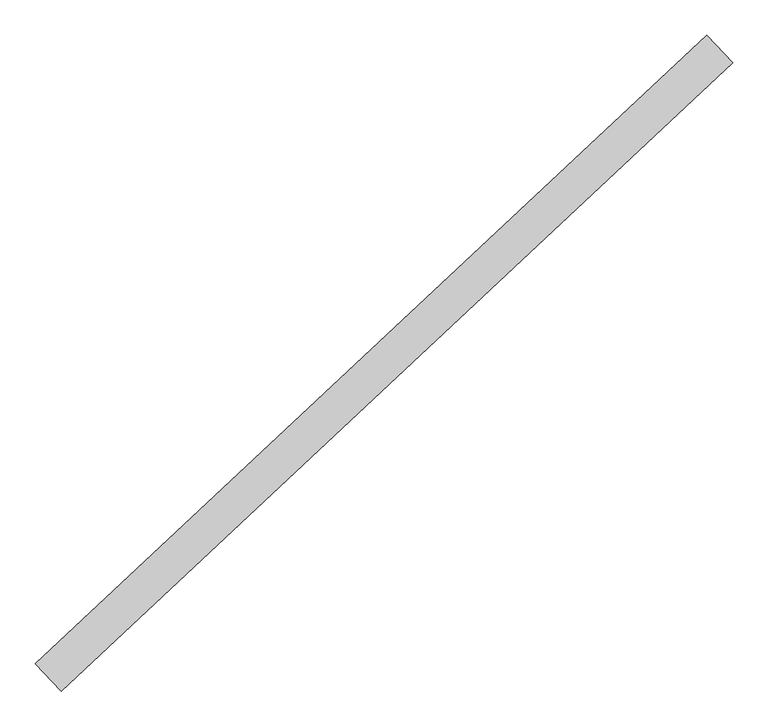
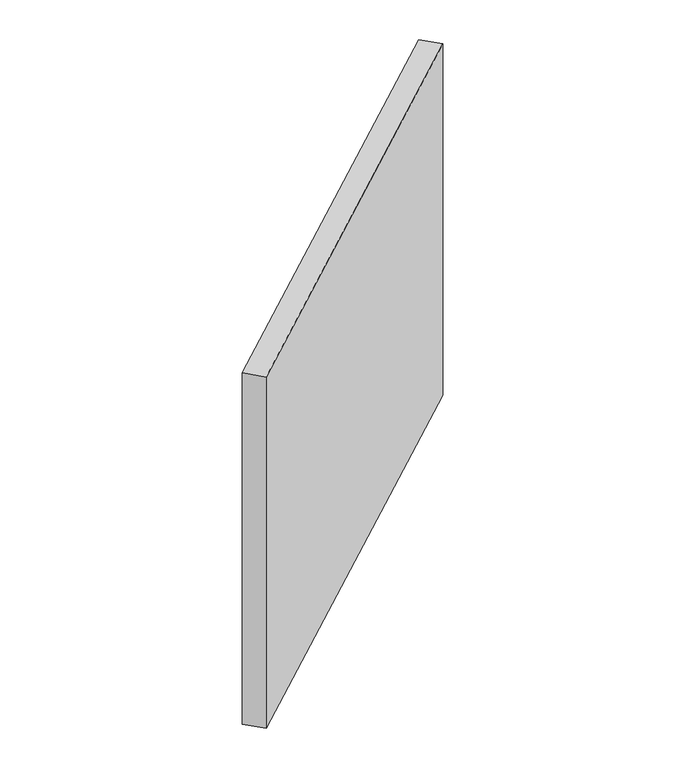
"""IFC4 building model written with IfcOpenShell, lengths in millimetres: proxy geometry."""

from ifc_helpers import new_model, si_unit, origin, origin_with_axes, place, context, project, spatial, polyline, outline, extrude, source, transform, mapped, element, save


def generic_models_261b6a6d(model_context):
    return source(origin(), model_context, "Body", "SweptSolid", [
        extrude(outline(polyline([(138451.0174571, 10863.4195241), (139396.9691799, 11748.4260203), (139433.2181053, 11709.6808431), (138487.2663826, 10824.6743469), (138451.0174571, 10863.4195241)])), origin_with_axes(), (0.0, 0.0, 1.0), 914.4),
    ])


if __name__ == "__main__":
    model = new_model("IFC4")
    model_context = context("Model", 3, world=origin())
    ifc_project = project(units=[si_unit("LENGTHUNIT", "METRE", prefix="MILLI")], contexts=[model_context])
    site = spatial("IfcSite", under=ifc_project)
    building = spatial("IfcBuilding", under=site)
    placement = place(None, origin())
    generic_models_shape = generic_models_261b6a6d(model_context)
    element("IfcBuildingElementProxy", 1, Name="Generic Models", at=placement, inside=building, context=model_context, shape_type="MappedRepresentation", body=[
        mapped(generic_models_shape, transform((0.0, 0.0, 0.0), x_axis=(1.0, 0.0, 0.0), y_axis=(0.0, 1.0, 0.0), z_axis=(0.0, 0.0, 1.0))),
    ])
    save(model, "model.ifc")
